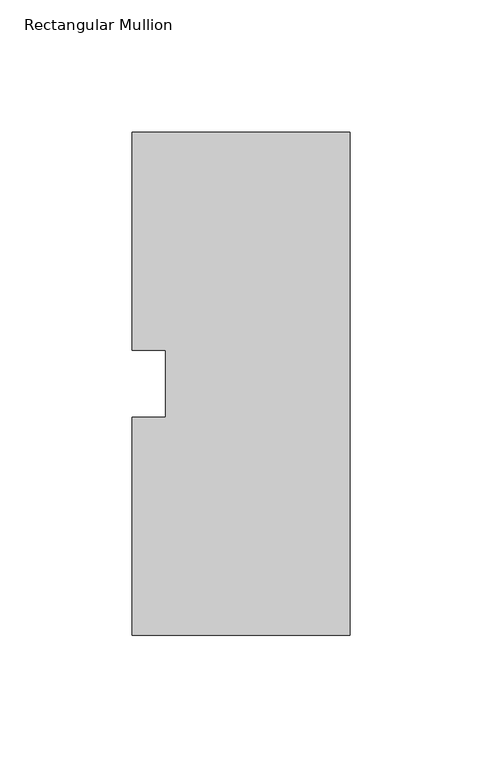
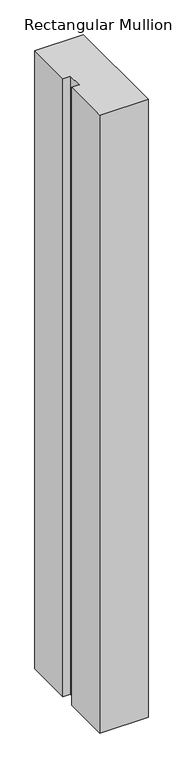
"""IFC4 building model written with IfcOpenShell, lengths in millimetres: member geometry, Rectangular Mullion."""

from ifc_helpers import new_model, si_unit, frame, origin, place, context, project, spatial, polyline, outline, extrude, source, transform, mapped, element, save


def rectangular_mullion_f183ae08(model_context):
    return source(origin(), model_context, "Body", "SweptSolid", [
        extrude(outline(polyline([(-82.55, 95.25), (0.0, 95.25), (0.0, -95.25), (-82.55, -95.25), (-82.55, -12.7), (-69.85, -12.7), (-69.85, 12.7), (-82.55, 12.7), (-82.55, 95.25)])), frame((0.0, 0.0, -1111.25), z_axis=(0.0, 0.0, 1.0), x_axis=(1.0, 0.0, 0.0)), (0.0, 0.0, 1.0), 1111.25),
    ])


if __name__ == "__main__":
    model = new_model("IFC4")
    model_context = context("Model", 3, world=origin())
    ifc_project = project(units=[si_unit("LENGTHUNIT", "METRE", prefix="MILLI")], contexts=[model_context])
    site = spatial("IfcSite", under=ifc_project)
    building = spatial("IfcBuilding", under=site)
    placement = place(None, origin())
    rectangular_mullion_shape = rectangular_mullion_f183ae08(model_context)
    element("IfcMember", 1, ObjectType="Rectangular Mullion", at=placement, inside=building, context=model_context, shape_type="MappedRepresentation", body=[
        mapped(rectangular_mullion_shape, transform((0.0, 0.0, 0.0), x_axis=(1.0, 0.0, 0.0), y_axis=(0.0, 1.0, 0.0), z_axis=(0.0, 0.0, 1.0))),
    ])
    save(model, "model.ifc")
